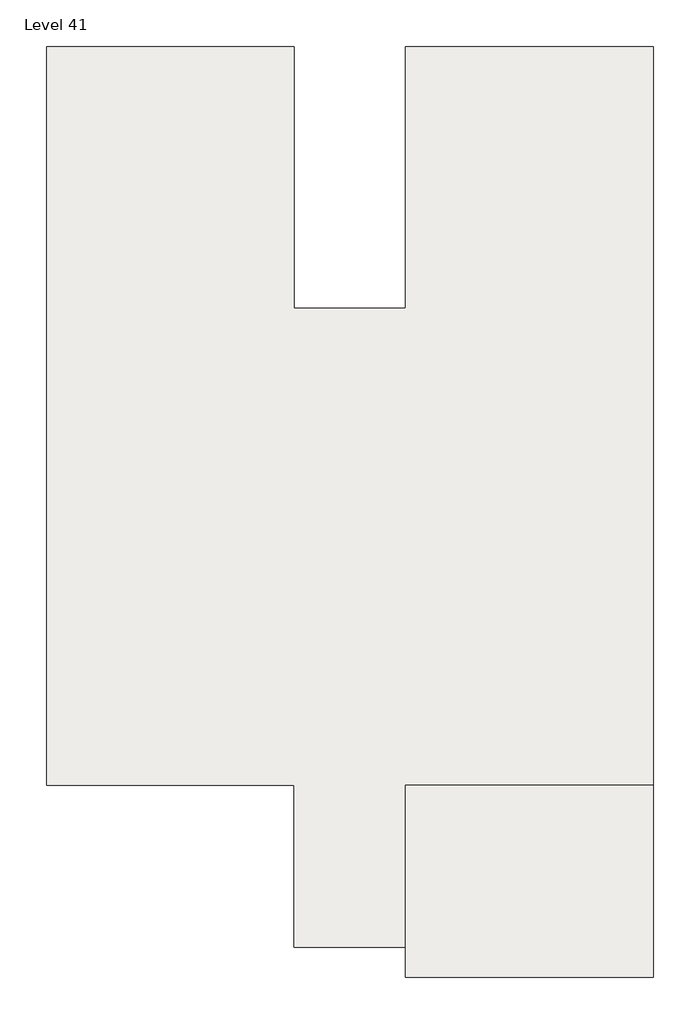
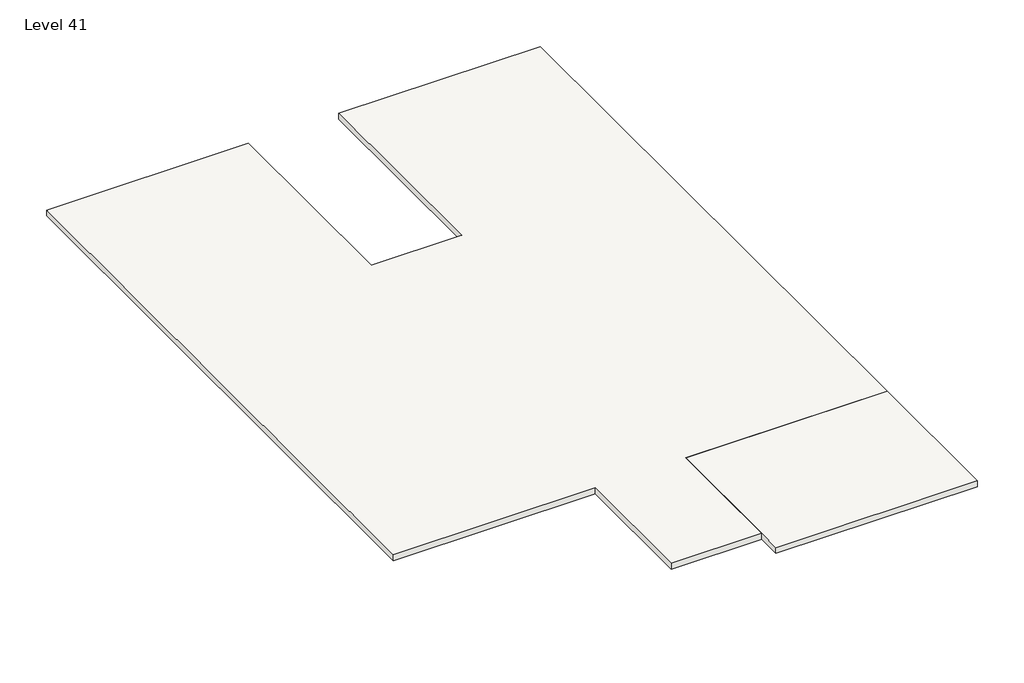
# One storey, part 2 of 2: 2 roofs.
"""IFC4 building model written with IfcOpenShell, lengths in millimetres."""

from ifc_helpers import new_model, si_unit, frame, origin, place, context, project, spatial, polyline, outline, extrude, element, save

model = new_model("IFC4")

# Units and contexts
model_context = context("Model", 3, world=origin())
ifc_project = project(units=[si_unit("LENGTHUNIT", "METRE", prefix="MILLI")], contexts=[model_context])

# Site, building, storey
site = spatial("IfcSite", under=ifc_project)
building = spatial("IfcBuilding", under=site)
storey = spatial("IfcBuildingStorey", under=building, Name="Level 41", Elevation=14579.6)

# Roofs
placement = place(None, origin())
element("IfcRoof", 1, at=placement, inside=storey, context=model_context, shape_type="SweptSolid", body=[
    extrude(outline(polyline([(2659.7671408, 11499.1313525), (424.5671408, 11499.1313525), (424.5671408, 14746.4049764), (-4553.8328592, 14746.4049764), (-4553.8328592, 29583.9313525), (424.5671408, 29583.9313525), (424.5671408, 24326.1313525), (2659.7671408, 24326.1313525), (2659.7671408, 29583.9313525), (7638.1671408, 29583.9313525), (7638.1671408, 14746.4049764), (2659.7671408, 14746.4049764), (2659.7671408, 11499.1313525)])), frame((0.0, 0.0, 14579.6), z_axis=(0.0, 0.0, 1.0), x_axis=(1.0, 0.0, 0.0)), (0.0, 0.0, 1.0), 152.4),
])
element("IfcRoof", 2, at=placement, inside=storey, context=model_context, shape_type="SweptSolid", body=[
    extrude(outline(polyline([(7638.1671408, 10889.5313525), (2659.7671408, 10889.5313525), (2659.7671408, 11499.1313525), (2659.7671408, 14746.4049764), (7638.1671408, 14746.4049764), (7638.1671408, 10889.5313525)])), frame((0.0, 0.0, 14579.6), z_axis=(0.0, 0.0, 1.0), x_axis=(1.0, 0.0, 0.0)), (0.0, 0.0, 1.0), 152.4),
])

save(model, "model.ifc")
